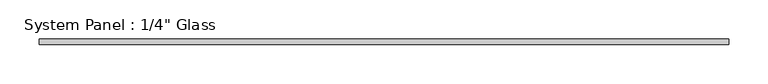
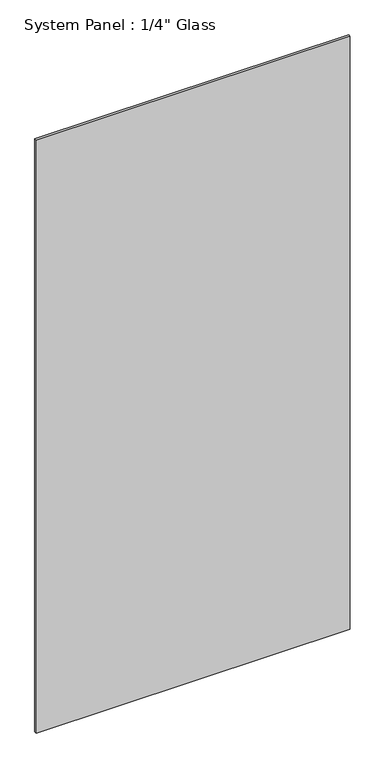
"""IFC4 building model written with IfcOpenShell, lengths in millimetres: plate geometry."""

from ifc_helpers import new_model, si_unit, origin, origin_with_axes, place, context, project, spatial, polyline, outline, extrude, source, transform, mapped, element, save


def plate_076f2fce(model_context):
    return source(origin(), model_context, "Body", "SweptSolid", [
        extrude(outline(polyline([(436.2240395, -3.175), (-436.2240395, -3.175), (-436.2240395, 3.175), (436.2240395, 3.175), (436.2240395, -3.175)])), origin_with_axes(), (0.0, 0.0, 1.0), 1739.9),
    ])


if __name__ == "__main__":
    model = new_model("IFC4")
    model_context = context("Model", 3, world=origin())
    ifc_project = project(units=[si_unit("LENGTHUNIT", "METRE", prefix="MILLI")], contexts=[model_context])
    site = spatial("IfcSite", under=ifc_project)
    building = spatial("IfcBuilding", under=site)
    placement = place(None, origin())
    plate_shape = plate_076f2fce(model_context)
    element("IfcPlate", 1, ObjectType="System Panel : 1/4\" Glass", at=placement, inside=building, context=model_context, shape_type="MappedRepresentation", body=[
        mapped(plate_shape, transform((0.0, 0.0, 0.0), x_axis=(1.0, 0.0, 0.0), y_axis=(0.0, 1.0, 0.0), z_axis=(0.0, 0.0, 1.0))),
    ])
    save(model, "model.ifc")
